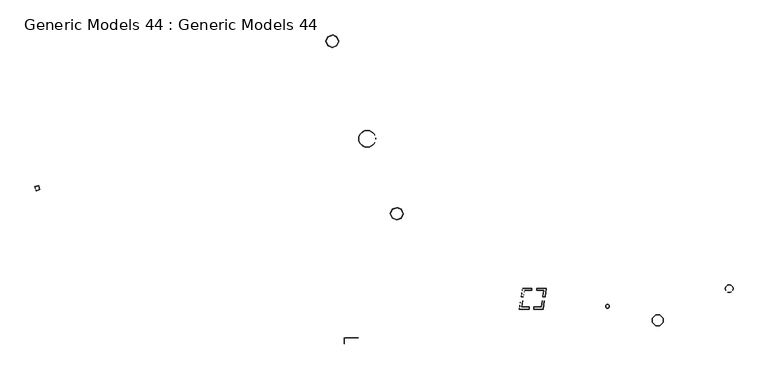
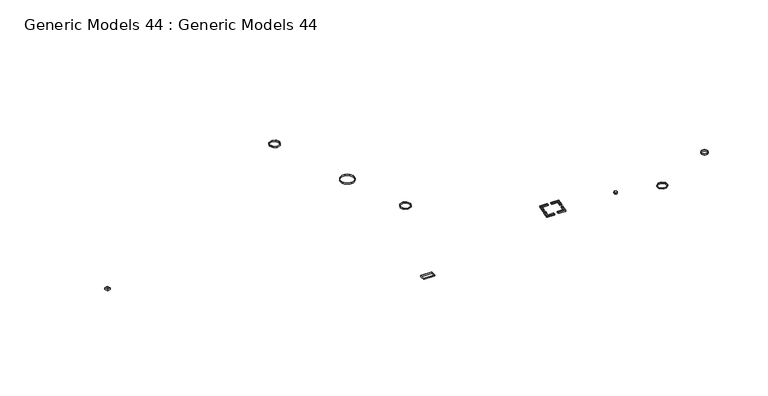
"""IFC4 building model written with IfcOpenShell, lengths in millimetres: proxy geometry, Generic Models 44 : Generic Models 44."""

from ifc_helpers import new_model, si_unit, point, frame_2d, origin, origin_with_axes, place, context, project, spatial, polyline, circle_curve, trimmed, segment, composite_curve, outline, extrude, source, transform, mapped, element, save


def generic_models_44_generic_models_44_9a3ed882(model_context):
    return source(origin(), model_context, "Body", "SweptSolid", [
        extrude(outline(polyline([(-505343.4184434, -28268.0110455), (-504766.4133416, -30200.2339229), (-506563.406965, -30736.8565354), (-507140.4120667, -28804.6336581), (-505343.4184434, -28268.0110455)]), holes=[polyline([(-505015.2784397, -30065.8234956), (-505477.8288706, -28516.8761436), (-506891.5469686, -28939.0440853), (-506428.9965377, -30487.9914373), (-505015.2784397, -30065.8234956)])]), origin_with_axes(), (0.0, 0.0, 1.0), 700.0),
        extrude(outline(composite_curve([segment(trimmed(circle_curve(frame_2d((-351377.1537449, -6341.9306936)), 3952.6899951), [point((-355329.8437401, -6341.9306936))], [point((-347424.4637498, -6341.9306936))], False, "CARTESIAN"), True, "CONTINUOUS"), segment(trimmed(circle_curve(frame_2d((-351377.1537449, -6341.9306936)), 3952.6899951), [point((-347424.4637498, -6341.9306936))], [point((-355329.8437401, -6341.9306936))], False, "CARTESIAN"), True, "CONTINUOUS")], self_intersect=False), holes=[composite_curve([segment(trimmed(circle_curve(frame_2d((-351377.1537449, -6341.9306936)), 3752.6899951), [point((-355129.8437401, -6341.9306936))], [point((-347624.4637498, -6341.9306936))], True, "CARTESIAN"), True, "CONTINUOUS"), segment(trimmed(circle_curve(frame_2d((-351377.1537449, -6341.9306936)), 3752.6899951), [point((-347624.4637498, -6341.9306936))], [point((-355129.8437401, -6341.9306936))], True, "CARTESIAN"), True, "CONTINUOUS")], self_intersect=False)]), origin_with_axes(), (0.0, 0.0, 1.0), 700.0),
        extrude(outline(polyline([(-339566.2991489, -39358.2154604), (-337358.9448471, -38500.2120463), (-335393.8310791, -39365.2425756), (-334497.2472957, -41589.5797096), (-335396.8145542, -43633.1515202), (-337585.1474105, -44447.9433906), (-339595.5589374, -43581.1901088), (-340458.7006612, -41385.5086472), (-339566.2991489, -39358.2154604)]), holes=[polyline([(-337363.7004938, -38716.6382435), (-339416.6254673, -39514.614642), (-340242.0938933, -41389.8540863), (-339439.8957471, -43430.5057542), (-337579.6931915, -44232.4991015), (-335545.8113699, -43475.2146834), (-334714.2616706, -41586.1602425), (-335548.9009425, -39515.5014146), (-337363.7004938, -38716.6382435)])]), origin_with_axes(), (0.0, 0.0, 1.0), 700.0),
        extrude(outline(polyline([(-369824.3038367, 41590.4625243), (-367616.9495349, 42448.4659384), (-365651.8357669, 41583.4354091), (-364755.2519835, 39359.0982751), (-365654.819242, 37315.5264645), (-367843.1520983, 36500.7345941), (-369853.5636253, 37367.4878759), (-370716.705349, 39563.1693375), (-369824.3038367, 41590.4625243)]), holes=[polyline([(-367621.7051816, 42232.0397412), (-369674.6301551, 41434.0633426), (-370500.0985811, 39558.8238983), (-369697.9004349, 37518.1722304), (-367837.6978793, 36716.1788832), (-365803.8160577, 37473.4633013), (-364972.2663584, 39362.5177422), (-365806.9056303, 41433.17657), (-367621.7051816, 42232.0397412)])]), origin_with_axes(), (0.0, 0.0, 1.0), 700.0),
        extrude(outline(polyline([(-216158.2480865, -89001.0372009), (-214187.1809182, -89001.0372009), (-212611.1614906, -90538.3593782), (-212611.1614906, -92588.1222812), (-214148.4836679, -94082.1020036), (-216158.2480865, -94097.4083143), (-217695.5702638, -92571.7943406), (-217695.5702638, -90538.3593782), (-216158.2480865, -89001.0372009)]), holes=[polyline([(-216075.405374, -89201.0372009), (-217495.5702638, -90621.2020907), (-217495.5702638, -92488.5034362), (-216076.4861769, -93896.7798176), (-214230.2914142, -93882.7192489), (-212811.1614906, -92503.5995299), (-212811.1614906, -90622.6619978), (-214268.5712202, -89201.0372009), (-216075.405374, -89201.0372009)])]), origin_with_axes(), (0.0, 0.0, 1.0), 700.0),
        extrude(outline(composite_curve([segment(trimmed(circle_curve(frame_2d((-238752.3428527, -84954.572029)), 887.6200713), [point((-239639.9629241, -84954.572029))], [point((-237864.7227814, -84954.572029))], False, "CARTESIAN"), True, "CONTINUOUS"), segment(trimmed(circle_curve(frame_2d((-238752.3428527, -84954.572029)), 887.6200713), [point((-237864.7227814, -84954.572029))], [point((-239639.9629241, -84954.572029))], False, "CARTESIAN"), True, "CONTINUOUS")], self_intersect=False), holes=[composite_curve([segment(trimmed(circle_curve(frame_2d((-238752.3428527, -84954.572029)), 687.6200713), [point((-239439.9629241, -84954.572029))], [point((-238064.7227814, -84954.572029))], True, "CARTESIAN"), True, "CONTINUOUS"), segment(trimmed(circle_curve(frame_2d((-238752.3428527, -84954.572029)), 687.6200713), [point((-238064.7227814, -84954.572029))], [point((-239439.9629241, -84954.572029))], True, "CARTESIAN"), True, "CONTINUOUS")], self_intersect=False)]), origin_with_axes(), (0.0, 0.0, 1.0), 700.0),
        extrude(outline(composite_curve([segment(trimmed(circle_curve(frame_2d((-181692.4791861, -76675.7540347)), 1825.8400918), [point((-183518.3192779, -76675.7540347))], [point((-179866.6390943, -76675.7540347))], False, "CARTESIAN"), True, "CONTINUOUS"), segment(trimmed(circle_curve(frame_2d((-181692.4791861, -76675.7540347)), 1825.8400918), [point((-179866.6390943, -76675.7540347))], [point((-183518.3192779, -76675.7540347))], False, "CARTESIAN"), True, "CONTINUOUS")], self_intersect=False), holes=[composite_curve([segment(trimmed(circle_curve(frame_2d((-181692.4791861, -76675.7540347)), 1625.8400918), [point((-183318.3192779, -76675.7540347))], [point((-180066.6390943, -76675.7540347))], True, "CARTESIAN"), True, "CONTINUOUS"), segment(trimmed(circle_curve(frame_2d((-181692.4791861, -76675.7540347)), 1625.8400918), [point((-180066.6390943, -76675.7540347))], [point((-183318.3192779, -76675.7540347))], True, "CARTESIAN"), True, "CONTINUOUS")], self_intersect=False)]), origin_with_axes(), (0.0, 0.0, 1.0), 700.0),
        extrude(outline(polyline([(-362069.660918, -99755.4877181), (-355525.6517908, -99799.894005), (-355545.1434485, -102672.3157936), (-362089.1525758, -102627.9095067), (-362069.660918, -99755.4877181)]), holes=[polyline([(-361989.2872997, -102529.3904257), (-355643.6625295, -102572.4505176), (-355625.5170668, -99898.413086), (-361971.141837, -99855.3529942), (-361989.2872997, -102529.3904257)])]), origin_with_axes(), (0.0, 0.0, 1.0), 700.0),
        extrude(outline(polyline([(-274252.0653387, -76510.0112773), (-274252.0653387, -77510.0112773), (-277676.1127322, -77510.0112773), (-278161.5481626, -80530.2370282), (-279174.3825776, -80530.2370282), (-278528.2189533, -76510.0112773), (-274252.0653387, -76510.0112773)]), holes=[polyline([(-274452.0653387, -77310.0112773), (-274452.0653387, -76710.0112773), (-278357.797709, -76710.0112773), (-278939.6700558, -80330.2370282), (-278331.9694068, -80330.2370282), (-277846.5339764, -77310.0112773), (-274452.0653387, -77310.0112773)])]), origin_with_axes(), (0.0, 0.0, 1.0), 700.0),
        extrude(outline(polyline([(-279456.5121653, -82285.5581119), (-278443.6777502, -82285.5581119), (-278925.7847407, -85285.0753621), (-275504.6544552, -85285.0753621), (-275504.6544552, -86285.0753621), (-280099.3473498, -86285.0753621), (-279456.5121653, -82285.5581119)]), holes=[polyline([(-278678.390272, -82485.5581119), (-279286.0909211, -82485.5581119), (-279864.6348279, -86085.0753621), (-275704.6544552, -86085.0753621), (-275704.6544552, -85485.0753621), (-279160.4972625, -85485.0753621), (-278678.390272, -82485.5581119)])]), origin_with_axes(), (0.0, 0.0, 1.0), 700.0),
        extrude(outline(polyline([(-273217.1589687, -85285.0753621), (-269802.1875904, -85285.0753621), (-269322.7514998, -82306.9331908), (-268309.8763069, -82306.9331908), (-268950.2973549, -86285.0753621), (-273217.1589687, -86285.0753621), (-273217.1589687, -85285.0753621)]), holes=[polyline([(-273017.1589687, -86085.0753621), (-269120.675402, -86085.0753621), (-268544.648337, -82506.9331908), (-269152.3734527, -82506.9331908), (-269631.8095433, -85485.0753621), (-273017.1589687, -85485.0753621), (-273017.1589687, -86085.0753621)])]), origin_with_axes(), (0.0, 0.0, 1.0), 700.0),
        extrude(outline(polyline([(-268023.9830969, -80531.0330411), (-269036.8582899, -80531.0330411), (-268550.5192299, -77510.0112773), (-271978.6614652, -77510.0112773), (-271978.6614652, -76510.0112773), (-267376.6590796, -76510.0112773), (-268023.9830969, -80531.0330411)]), holes=[polyline([(-267611.4311096, -76710.0112773), (-271778.6614652, -76710.0112773), (-271778.6614652, -77310.0112773), (-268315.7471998, -77310.0112773), (-268802.0862598, -80331.0330411), (-268194.361144, -80331.0330411), (-267611.4311096, -76710.0112773)])]), origin_with_axes(), (0.0, 0.0, 1.0), 700.0),
    ])


if __name__ == "__main__":
    model = new_model("IFC4")
    model_context = context("Model", 3, world=origin())
    ifc_project = project(units=[si_unit("LENGTHUNIT", "METRE", prefix="MILLI")], contexts=[model_context])
    site = spatial("IfcSite", under=ifc_project)
    building = spatial("IfcBuilding", under=site)
    placement = place(None, origin())
    generic_models_44_generic_models_44_shape = generic_models_44_generic_models_44_9a3ed882(model_context)
    element("IfcBuildingElementProxy", 1, Name="Generic Models 44 : Generic Models 44", ObjectType="Generic Models 44 : Generic Models 44", at=placement, inside=building, context=model_context, shape_type="MappedRepresentation", body=[
        mapped(generic_models_44_generic_models_44_shape, transform((0.0, 0.0, 0.0), x_axis=(1.0, 0.0, 0.0), y_axis=(0.0, 1.0, 0.0), z_axis=(0.0, 0.0, 1.0))),
    ])
    save(model, "model.ifc")
